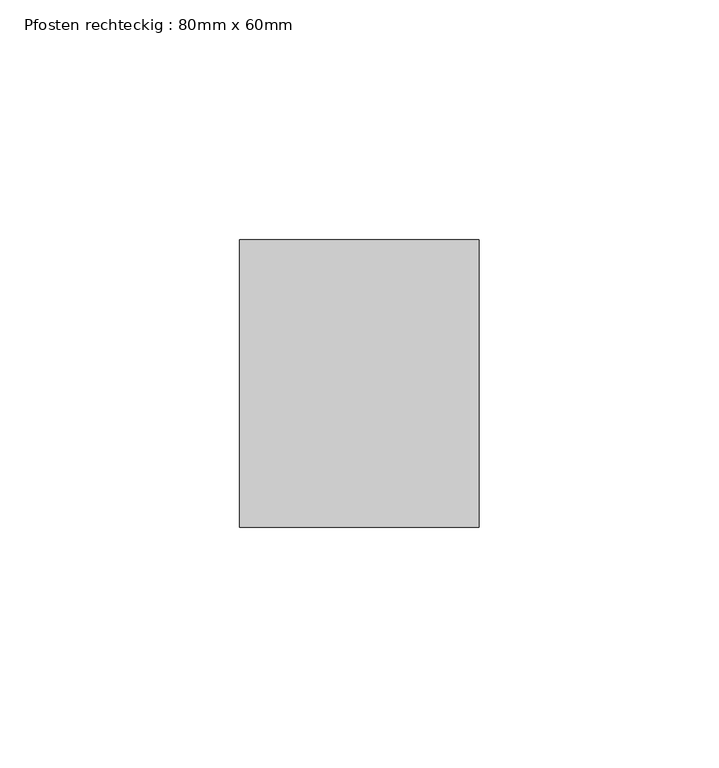
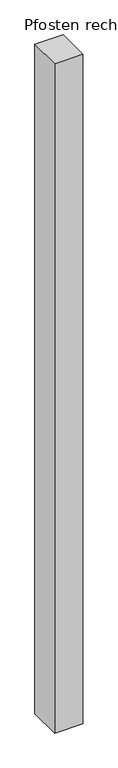
"""IFC4 building model written with IfcOpenShell, lengths in millimetres: member geometry, Pfosten rechteckig : 80mm x 60mm."""

import ifcopenshell
import ifcopenshell.guid

model = None  # the IFC model being written
_history = None  # IfcOwnerHistory: only IFC2X3 demands one
_inside = {}  # id of a spatial element -> (the spatial element, [elements in it])
_under = {}  # id of a project, library or spatial element -> (it, [spatial elements below it])
_declared = {}  # id of a project -> (the project, [libraries it declares])
_typed = {}  # id of a type object -> (the type object, [elements of that type])
_made_of = {}  # id of a material, layer set ... -> (it, [elements and type objects made of it])


def new_model(schema):
    """Start an empty IFC model of exactly this schema.

    Asked for "IFC4X3", IfcOpenShell would pick the latest addendum, in which some entities
    have other attributes; the version numbers below select the first issue.
    IFC2X3 requires an IfcOwnerHistory on every rooted entity: one is made here for all.
    """
    global model, _history
    if schema == "IFC4X3":
        model = ifcopenshell.file(schema_version=(4, 3, 0, 0))
    else:
        model = ifcopenshell.file(schema=schema)
    _inside.clear()
    _under.clear()
    _declared.clear()
    _typed.clear()
    _made_of.clear()
    _history = None
    if model.schema == "IFC2X3":
        org = make("IfcOrganization", Name="unknown")
        user = make(
            "IfcPersonAndOrganization",
            ThePerson=make("IfcPerson", FamilyName="unknown"),
            TheOrganization=org,
        )
        app = make(
            "IfcApplication",
            ApplicationDeveloper=org,
            Version="unknown",
            ApplicationFullName="unknown",
            ApplicationIdentifier="unknown",
        )
        _history = make(
            "IfcOwnerHistory",
            OwningUser=user,
            OwningApplication=app,
            ChangeAction="ADDED",
            CreationDate=0,
        )
    return model


def make(cls, **values):
    """One entity of the class cls with the attributes given. An attribute that is None is left unset."""
    return model.create_entity(
        cls, **{name: value for name, value in values.items() if value is not None}
    )


def rooted(cls, **values):
    """An entity with a GlobalId (a new one), such as an element, a storey or a relation."""
    return make(cls, GlobalId=ifcopenshell.guid.new(), OwnerHistory=_history, **values)


def si_unit(unit_type, name, prefix=None):
    """IfcSIUnit, for example si_unit("LENGTHUNIT", "METRE", prefix="MILLI")."""
    return make("IfcSIUnit", UnitType=unit_type, Prefix=prefix, Name=name)


def assignment(units):
    """IfcUnitAssignment: the units of a project."""
    return None if units is None else make("IfcUnitAssignment", Units=units)


def point(xyz):
    """IfcCartesianPoint."""
    return None if xyz is None else make("IfcCartesianPoint", Coordinates=xyz)


def direction(xyz):
    """IfcDirection."""
    return None if xyz is None else make("IfcDirection", DirectionRatios=xyz)


def frame(location, z_axis=None, x_axis=None):
    """IfcAxis2Placement3D, a coordinate frame: its origin and axes. An axis left out is left unset."""
    return make(
        "IfcAxis2Placement3D",
        Location=point(location),
        Axis=direction(z_axis),
        RefDirection=direction(x_axis),
    )


def origin():
    """The frame at (0, 0, 0) with its axes left unset."""
    return frame((0.0, 0.0, 0.0))


def place(relative_to, where):
    """IfcLocalPlacement: puts the frame where relative to a parent placement (None: the world)."""
    return make(
        "IfcLocalPlacement", PlacementRelTo=relative_to, RelativePlacement=where
    )


def context(
    kind, dimensions, precision=None, world=None, true_north=None, identifier=None
):
    """IfcGeometricRepresentationContext, for example the 3D "Model" context."""
    return make(
        "IfcGeometricRepresentationContext",
        ContextIdentifier=identifier,
        ContextType=kind,
        CoordinateSpaceDimension=dimensions,
        Precision=precision,
        WorldCoordinateSystem=world,
        TrueNorth=true_north,
    )


def project(units=None, contexts=None):
    """IfcProject with its units and contexts."""
    return rooted(
        "IfcProject",
        Name="project",
        RepresentationContexts=contexts,
        UnitsInContext=assignment(units),
    )


def spatial(cls, under=None, at=None, **own):
    """A site, building, storey or space (cls), placed at a placement, below another one or the project."""
    s = rooted(cls, ObjectPlacement=at, **own)
    if under is not None:
        _under.setdefault(under.id(), (under, []))[1].append(s)
    return s


def polyline(points):
    """IfcPolyline through the points."""
    return make("IfcPolyline", Points=[point(p) for p in points])


def outline(outer, holes=None, kind="AREA"):
    """IfcArbitraryClosedProfileDef: a profile drawn as a closed curve; with holes, ...WithVoids."""
    if holes is None:
        return make("IfcArbitraryClosedProfileDef", ProfileType=kind, OuterCurve=outer)
    return make(
        "IfcArbitraryProfileDefWithVoids",
        ProfileType=kind,
        OuterCurve=outer,
        InnerCurves=holes,
    )


def extrude(swept, where, along, depth):
    """IfcExtrudedAreaSolid: the profile swept, set in the frame where, extruded along a direction by depth."""
    return make(
        "IfcExtrudedAreaSolid",
        SweptArea=swept,
        Position=where,
        ExtrudedDirection=direction(along),
        Depth=depth,
    )


def shape(context_of_items, identifier, shape_type, items):
    """IfcShapeRepresentation: the items that make up one representation, for example the "Body"."""
    return make(
        "IfcShapeRepresentation",
        ContextOfItems=context_of_items,
        RepresentationIdentifier=identifier,
        RepresentationType=shape_type,
        Items=items,
    )


def source(mapping_origin, context_of_items, identifier, shape_type, items):
    """IfcRepresentationMap: a shape defined once, which mapped items show again and again."""
    return make(
        "IfcRepresentationMap",
        MappingOrigin=mapping_origin,
        MappedRepresentation=shape(context_of_items, identifier, shape_type, items),
    )


def transform(
    local_origin,
    x_axis=None,
    y_axis=None,
    z_axis=None,
    scale=None,
    scale2=None,
    scale3=None,
    uniform=True,
):
    """IfcCartesianTransformationOperator3D, or its non-uniform kind. x_axis, y_axis, z_axis: its Axis1, 2, 3."""
    if uniform:
        return make(
            "IfcCartesianTransformationOperator3D",
            Axis1=direction(x_axis),
            Axis2=direction(y_axis),
            LocalOrigin=point(local_origin),
            Scale=scale,
            Axis3=direction(z_axis),
        )
    return make(
        "IfcCartesianTransformationOperator3DnonUniform",
        Axis1=direction(x_axis),
        Axis2=direction(y_axis),
        LocalOrigin=point(local_origin),
        Scale=scale,
        Axis3=direction(z_axis),
        Scale2=scale2,
        Scale3=scale3,
    )


def mapped(mapping_source, mapping_target):
    """IfcMappedItem: shows the shape of a source again, moved by a transform."""
    return make(
        "IfcMappedItem", MappingSource=mapping_source, MappingTarget=mapping_target
    )


def made_of(thing, what):
    """Note that an element or type object is made of a material, layer set ...; save() writes the relation."""
    if what is not None:
        _made_of.setdefault(what.id(), (what, []))[1].append(thing)
    return thing


def element(
    cls,
    number,
    at=None,
    inside=None,
    cuts=None,
    type_object=None,
    material=None,
    context=None,
    identifier="Body",
    shape_type=None,
    held_by="IfcProductDefinitionShape",
    body=None,
    shapes=None,
    **own,
):
    """One element of the class cls, such as IfcWall. Its Tag is "e" and its number.

    at: its placement. inside: the storey or other place that contains it. cuts: it is an
    opening in that element (IfcRelVoidsElement). A single representation is given by context,
    identifier, shape_type and body (its items); several are given by shapes. held_by: the class
    of the entity that holds the representations. save() writes the other relations.
    """
    e = rooted(cls, Tag="e%d" % number, ObjectPlacement=at, **own)
    if body is not None:
        shapes = [shape(context, identifier, shape_type, body)]
    if shapes is not None:
        e.Representation = make(held_by, Representations=shapes)
    if inside is not None:
        _inside.setdefault(inside.id(), (inside, []))[1].append(e)
    if cuts is not None:
        rooted(
            "IfcRelVoidsElement", RelatingBuildingElement=cuts, RelatedOpeningElement=e
        )
    if type_object is not None:
        _typed.setdefault(type_object.id(), (type_object, []))[1].append(e)
    return made_of(e, material)


def aggregate(whole, parts):
    """IfcRelAggregates: a whole, such as a stair, and the parts it consists of."""
    return rooted("IfcRelAggregates", RelatingObject=whole, RelatedObjects=parts)


def save(model, path):
    """Write the relations noted so far, then the file.

    IfcRelAggregates (storeys below a building ...), IfcRelContainedInSpatialStructure (elements
    in a storey), IfcRelDefinesByType, IfcRelAssociatesMaterial and IfcRelDeclares: one each for
    every whole, place, type object, material and project.
    """
    for whole, parts in _under.values():
        aggregate(whole, parts)
    for where, things in _inside.values():
        rooted(
            "IfcRelContainedInSpatialStructure",
            RelatedElements=things,
            RelatingStructure=where,
        )
    for kind, things in _typed.values():
        rooted("IfcRelDefinesByType", RelatedObjects=things, RelatingType=kind)
    for what, things in _made_of.values():
        rooted("IfcRelAssociatesMaterial", RelatedObjects=things, RelatingMaterial=what)
    for by, libraries in _declared.values():
        rooted("IfcRelDeclares", RelatingContext=by, RelatedDefinitions=libraries)
    model.write(path)


def pfosten_rechteckig_80mm_x_60mm_f03c5799(model_context):
    return source(origin(), model_context, "Body", "SweptSolid", [
        extrude(outline(polyline([(0.0, 30.0), (0.0, -30.0), (-50.0, -30.0), (-50.0, 30.0), (0.0, 30.0)])), frame((0.0, 0.0, -1250.0), z_axis=(0.0, 0.0, 1.0), x_axis=(1.0, 0.0, 0.0)), (0.0, 0.0, 1.0), 1250.0),
    ])


if __name__ == "__main__":
    model = new_model("IFC4")
    model_context = context("Model", 3, world=origin())
    ifc_project = project(units=[si_unit("LENGTHUNIT", "METRE", prefix="MILLI")], contexts=[model_context])
    site = spatial("IfcSite", under=ifc_project)
    building = spatial("IfcBuilding", under=site)
    placement = place(None, origin())
    pfosten_rechteckig_80mm_x_60mm_shape = pfosten_rechteckig_80mm_x_60mm_f03c5799(model_context)
    element("IfcMember", 1, ObjectType="Pfosten rechteckig : 80mm x 60mm", at=placement, inside=building, context=model_context, shape_type="MappedRepresentation", body=[
        mapped(pfosten_rechteckig_80mm_x_60mm_shape, transform((0.0, 0.0, 0.0), x_axis=(1.0, 0.0, 0.0), y_axis=(0.0, 1.0, 0.0), z_axis=(0.0, 0.0, 1.0))),
    ])
    save(model, "model.ifc")
